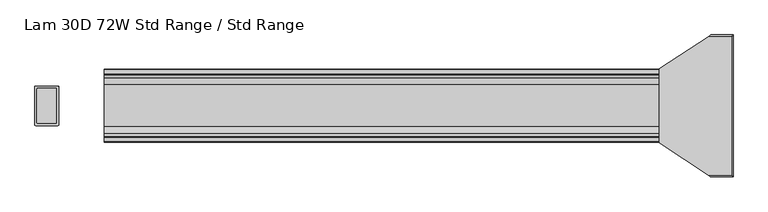
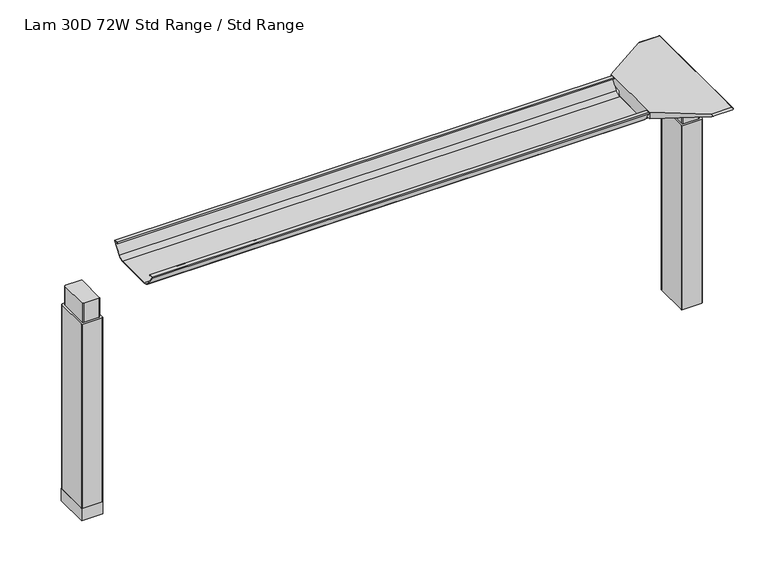
"""IFC4 building model written with IfcOpenShell, lengths in millimetres: furniture geometry, Lam 30D 72W Std Range / Std Range."""

from ifc_helpers import new_model, si_unit, point, frame, frame_2d, origin, place, context, project, spatial, polyline, circle_curve, ellipse_curve, trimmed, segment, composite_curve, outline, extrude, source, transform, mapped, element, save
from ifc_brep_helpers import plane_surface, cylinder_surface, revolved_surface, advanced_brep


def lam_30d_72w_std_range_std_range_678415d4(model_context):
    return source(origin(), model_context, "Body", "SolidModel", [
        advanced_brep(
        [(870.5122138, 162.7292702, 658.5915733), (1036.2406297, 162.7292702, 658.5915733), (1033.7518591, 160.5008169, 655.9442785), (884.8924181, 160.5008169, 655.9442785), (859.0501644, 162.8754397, 662.4310191), (858.9075093, 162.9531058, 664.4710821), (856.2619573, 163.0290018, 666.4646485), (856.2619573, 163.3822827, 675.7443054), (1038.8619089, 163.3822827, 675.7443054), (1036.4625278, 162.738256, 658.8276054), (856.2619573, 168.8493181, 681.7839076), (1039.7185362, 168.8493181, 681.7839076), (856.2619573, 202.6089953, 687.0209321), (978.0570453, 283.4205225, 699.5569507), (1042.2393767, 283.4205225, 699.5569507), (1042.3128152, 287.1965275, 700.0747243), (983.7480509, 287.1965275, 700.0747243), (1042.9871296, 288.7067839, 704.8289399), (982.1404665, 286.1298888, 707.009), (1041.2021288, 286.1298888, 707.009), (1042.3128152, -68.7565275, 700.0747243), (1042.9871296, -70.2667839, 704.8289399), (1041.2021288, -67.6898888, 707.009), (982.1404665, -67.6898888, 707.009), (983.7480509, -68.7565275, 700.0747243), (1042.2393767, -64.9805225, 699.5569507), (978.0570453, -64.9805225, 699.5569507), (856.2619573, 49.5906819, 681.7839076), (1039.7185362, 49.5906819, 681.7839076), (856.2619573, 15.8310047, 687.0209321), (856.2619573, 55.0577173, 675.7443054), (1038.8619089, 55.0577173, 675.7443054), (856.2619573, 55.4109982, 666.4646485), (858.9075093, 55.4868942, 664.4710821), (859.0501644, 55.5645603, 662.4310191), (870.5122138, 55.7107298, 658.5915733), (1036.2406297, 55.7107298, 658.5915733), (1036.4625278, 55.701744, 658.8276054), (884.8924181, 57.9391831, 655.9442785), (1033.7518591, 57.9391831, 655.9442785), (856.2619573, 202.6089953, 707.009), (856.2619573, 15.8310047, 707.009)],
        [
            (0, 1),
            (1, 2),
            (2, 3),
            (3, 0, ellipse_curve(frame((894.7936465, 239.7670009, 750.1086722), z_axis=(0.0, 0.7650318638532565, -0.6439924279750596), x_axis=(0.0, -0.6439924279750596, -0.7650318638532564)), 123.7641411, 94.6835116)),
            (0, 4, ellipse_curve(frame((894.7936465, 166.2133686, 750.1086722), z_axis=(0.0, 0.9992761066836392, -0.03804290487315862), x_axis=(0.0, -0.03804290487315623, -0.9992761066836393)), 94.752102, 94.6835116)),
            (4, 5),
            (5, 6),
            (6, 7),
            (7, 8),
            (8, 9),
            (9, 1),
            (7, 10, circle_curve(frame((856.2619573, 169.8408409, 675.3922075), z_axis=(-1.0, 0.0, 0.0), x_axis=(0.0, 1.0, 0.0)), 6.4681487)),
            (10, 11),
            (11, 8, ellipse_curve(frame((1038.8119691, 169.8408409, 675.3922075), z_axis=(0.9900906714849659, 0.0, -0.1404295632637567), x_axis=(-0.1404295632637562, 0.0, -0.9900906714849659)), 6.5328852, 6.4681487)),
            (10, 12),
            (12, 13),
            (13, 14),
            (14, 11),
            (15, 14),
            (13, 16),
            (16, 15),
            (17, 15, ellipse_curve(frame((1042.7730772, 285.2194111, 703.3197755), z_axis=(-0.9900906714849659, 0.0, 0.1404295632637567), x_axis=(0.1404295632637562, 0.0, 0.9900906714849659)), 3.8379455, 3.7999141)),
            (16, 18, ellipse_curve(frame((980.76824, 285.2194111, 703.3197755), z_axis=(0.552874393629518, -0.8332646067539369, 0.0), x_axis=(0.8332646067539365, 0.552874393629518, 0.0)), 6.8730151, 3.7999141)),
            (18, 19),
            (19, 17, ellipse_curve(frame((1044.222811, 285.2194111, 703.3197755), z_axis=(-0.7737284588399557, 0.0, -0.633517380962154), x_axis=(0.6335173809621538, 0.0, -0.7737284588399556)), 4.9111727, 3.7999141)),
            (20, 21, ellipse_curve(frame((1042.7730772, -66.7794111, 703.3197755), z_axis=(-0.9900906714849659, 0.0, 0.1404295632637567), x_axis=(0.1404295632637562, 0.0, 0.9900906714849659)), 3.8379455, 3.7999141)),
            (21, 22, ellipse_curve(frame((1044.222811, -66.7794111, 703.3197755), z_axis=(-0.7737284588399557, 0.0, -0.633517380962154), x_axis=(0.6335173809621538, 0.0, -0.7737284588399556)), 4.9111727, 3.7999141)),
            (22, 23),
            (23, 24, ellipse_curve(frame((980.76824, -66.7794111, 703.3197755), z_axis=(0.5528743936294976, 0.8332646067539503, 0.0), x_axis=(0.8332646067539502, -0.5528743936294978, 0.0)), 6.8730151, 3.7999141)),
            (24, 20),
            (25, 20),
            (24, 26),
            (26, 25),
            (27, 28),
            (28, 25),
            (26, 29),
            (29, 27),
            (27, 30, circle_curve(frame((856.2619573, 48.5991591, 675.3922075), z_axis=(-1.0, 0.0, 0.0), x_axis=(0.0, 1.0, 0.0)), 6.4681487)),
            (30, 31),
            (31, 28, ellipse_curve(frame((1038.8119691, 48.5991591, 675.3922075), z_axis=(0.9900906714849659, 0.0, -0.1404295632637567), x_axis=(-0.1404295632637562, 0.0, -0.9900906714849659)), 6.5328852, 6.4681487)),
            (30, 32),
            (32, 33),
            (33, 34),
            (34, 35, ellipse_curve(frame((894.7936465, 52.2266314, 750.1086722), z_axis=(0.0, -0.9992761066836363, -0.03804290487323539), x_axis=(0.0, -0.03804290487323121, 0.9992761066836364)), 94.752102, 94.6835116)),
            (35, 36),
            (36, 37),
            (37, 31),
            (35, 38, ellipse_curve(frame((894.7936465, -21.3270009, 750.1086722), z_axis=(0.0, -0.7650318638534733, -0.643992427974802), x_axis=(0.0, -0.643992427974802, 0.7650318638534732)), 123.7641411, 94.6835116)),
            (38, 39),
            (39, 36),
            (37, 9),
            (17, 21),
            (19, 22),
            (18, 40),
            (40, 41),
            (41, 23),
            (6, 32),
            (29, 41),
            (40, 12),
            (5, 33),
            (4, 34),
            (3, 38),
            (2, 39),
        ],
        [
            plane_surface(frame((856.2619573, 160.5008169, 655.9442785), z_axis=(0.0, 0.7650318638532565, -0.6439924279750596), x_axis=(1.0, 0.0, 0.0))),
            plane_surface(frame((856.2619573, 162.7292702, 658.5915733), z_axis=(0.0, 0.9992761066836392, -0.03804290487315862), x_axis=(1.0, 0.0, 0.0))),
            revolved_surface(polyline([(856.2619573, 176.3089896, 675.3922075), (1039.7293793154881, 176.3089896, 675.3922075)]), (856.2619573, 169.8408409, 675.3922075), (-1.0, 0.0, 0.0)),
            plane_surface(frame((856.2619573, 168.8493181, 681.7839076), z_axis=(0.0, 0.15329313587140309, -0.988180760030629), x_axis=(1.0, 0.0, 0.0))),
            plane_surface(frame((856.2619573, 283.4205225, 699.5569507), z_axis=(0.0, 0.1358508546900816, -0.9907292996979419), x_axis=(1.0, 0.0, 0.0))),
            cylinder_surface(frame((856.2619573, 285.2194111, 703.3197755), z_axis=(1.0, 0.0, 0.0), x_axis=(0.0, 1.0, 0.0)), 3.7999141),
            cylinder_surface(frame((856.2619573, -66.7794111, 703.3197755), z_axis=(1.0, 0.0, 0.0), x_axis=(0.0, 1.0, 0.0)), 3.7999141),
            plane_surface(frame((856.2619573, -68.7565275, 700.0747243), z_axis=(0.0, -0.1358508546877776, -0.9907292996982578), x_axis=(1.0, 0.0, 0.0))),
            plane_surface(frame((856.2619573, -64.9805225, 699.5569507), z_axis=(0.0, -0.15329313587141113, -0.9881807600306277), x_axis=(1.0, 0.0, 0.0))),
            revolved_surface(polyline([(856.2619573, 55.0673078, 675.3922075), (1039.7293793154881, 55.0673078, 675.3922075)]), (856.2619573, 48.5991591, 675.3922075), (-1.0, 0.0, 0.0)),
            plane_surface(frame((856.2619573, 55.0577173, 675.7443054), z_axis=(0.0, -0.9992761066836363, -0.03804290487323539), x_axis=(1.0, 0.0, 0.0))),
            plane_surface(frame((856.2619573, 55.7107298, 658.5915733), z_axis=(0.0, -0.7650318638534733, -0.643992427974802), x_axis=(1.0, 0.0, 0.0))),
            plane_surface(frame((1036.4625278, -81.28, 658.8276054), z_axis=(0.9900906714849659, 0.0, -0.1404295632637567), x_axis=(0.0, 1.0, 0.0))),
            plane_surface(frame((1042.9871296, -81.28, 704.8289399), z_axis=(0.7737284588399557, 0.0, 0.633517380962154), x_axis=(0.0, 1.0, 0.0))),
            plane_surface(frame((1041.2021288, -81.28, 707.009), z_axis=(0.0, 0.0, 1.0), x_axis=(0.0, 1.0, 0.0))),
            plane_surface(frame((856.2619573, -81.28, 707.009), z_axis=(-1.0, 0.0, 0.0), x_axis=(0.0, 1.0, 0.0))),
            plane_surface(frame((856.2619573, -81.28, 666.4646485), z_axis=(-0.6018150231540728, 0.0, -0.7986355100457674), x_axis=(0.0, 1.0, 0.0))),
            plane_surface(frame((858.9075093, -81.28, 664.4710821), z_axis=(-0.9975640502598287, 0.0, -0.06975647374406109), x_axis=(0.0, 1.0, 0.0))),
            cylinder_surface(frame((894.7936465, -81.28, 750.1086722), z_axis=(0.0, -1.0, 0.0), x_axis=(-1.0, 0.0, 0.0)), 94.6835116),
            plane_surface(frame((884.8924181, -81.28, 655.9442785), z_axis=(0.0, 0.0, -1.0), x_axis=(0.0, 1.0, 0.0))),
            plane_surface(frame((1033.7518591, -81.28, 655.9442785), z_axis=(0.7285846064222696, 0.0, -0.6849558170309284), x_axis=(0.0, 1.0, 0.0))),
            plane_surface(frame((856.2619573, 202.6089953, 707.009), z_axis=(-0.552874393629518, 0.8332646067539369, 0.0), x_axis=(0.0, 0.0, -1.0))),
            plane_surface(frame((1002.6228017, -81.28, 707.009), z_axis=(-0.5528743936294976, -0.8332646067539503, 0.0), x_axis=(0.0, 0.0, -1.0))),
        ],
        [
            (0, [[1, 2, 3, 4]]),
            (1, [[-1, 5, 6, 7, 8, 9, 10, 11]]),
            (2, [[-9, 12, 13, 14]]),
            (3, [[-13, 15, 16, 17, 18]]),
            (4, [[19, -17, 20, 21]]),
            (5, [[22, -21, 23, 24, 25]]),
            (6, [[26, 27, 28, 29, 30]]),
            (7, [[31, -30, 32, 33]]),
            (8, [[34, 35, -33, 36, 37]]),
            (9, [[-34, 38, 39, 40]]),
            (10, [[-39, 41, 42, 43, 44, 45, 46, 47]]),
            (11, [[-45, 48, 49, 50]]),
            (12, [[51, -10, -14, -18, -19, -22, 52, -26, -31, -35, -40, -47]]),
            (13, [[-52, -25, 53, -27]]),
            (14, [[-53, -24, 54, 55, 56, -28]]),
            (15, [[57, -41, -38, -37, 58, -55, 59, -15, -12, -8]]),
            (16, [[-57, -7, 60, -42]]),
            (17, [[-60, -6, 61, -43]]),
            (18, [[-61, -5, -4, 62, -48, -44]]),
            (19, [[-62, -3, 63, -49]]),
            (20, [[-51, -46, -50, -63, -2, -11]]),
            (21, [[-54, -23, -20, -16, -59]]),
            (22, [[-56, -58, -36, -32, -29]]),
        ],
    ),
        advanced_brep(
        [(-551.2773962, 187.9031697, 701.7794894), (-551.2773962, 189.6675242, 704.0075511), (-551.2773962, 200.6481225, 704.0075511), (-551.2773962, 201.3782919, 701.4093085), (-551.2773962, 179.9519108, 671.8462148), (-551.2773962, 162.5510914, 663.2452863), (-551.2773962, 55.7632156, 663.2452863), (-551.2773962, 38.1354217, 672.2997482), (-551.2773962, 16.8007138, 702.0706054), (-551.2773962, 18.4392766, 704.1266572), (-551.2773962, 28.6544098, 704.1266572), (-551.2773962, 30.5253848, 701.7794894), (-551.2773962, 29.7841637, 701.2423822), (-551.2773962, 28.2139363, 703.2122572), (-551.2773962, 18.5353238, 703.2122572), (-551.2773962, 17.7294351, 702.3444366), (-551.2773962, 38.8786744, 672.8323858), (-551.2773962, 55.7632156, 664.1598536), (-551.2773962, 162.5510914, 664.1596863), (-551.2773962, 179.21844, 672.3923713), (-551.2773962, 200.5721627, 701.8552144), (-551.2773962, 200.3148942, 703.0931511), (-551.2773962, 190.109809, 703.0931511), (-551.2773962, 188.6442719, 701.2424419), (856.2619573, 187.9031697, 701.7794894), (856.2619573, 188.6442719, 701.2424419), (856.2619573, 190.109809, 703.0931511), (856.2619573, 200.3148942, 703.0931511), (856.2619573, 200.5721627, 701.8552144), (856.2619573, 179.21844, 672.3923713), (856.2619573, 162.5510914, 664.1596863), (856.2619573, 55.7632155, 664.1596863), (856.2619573, 38.8786744, 672.8323858), (856.2619573, 17.7294351, 702.3444366), (856.2619573, 18.5353238, 703.2122572), (856.2619573, 28.2139363, 703.2122572), (856.2619573, 29.7841637, 701.2423822), (856.2619573, 30.5253848, 701.7794894), (856.2619573, 28.6544098, 704.1266572), (856.2619573, 18.4392766, 704.1266572), (856.2619573, 16.8007138, 702.0706054), (856.2619573, 38.1354217, 672.2997482), (856.2619573, 55.7632156, 663.2454536), (856.2619573, 162.5510914, 663.2452863), (856.2619573, 179.9519108, 671.8462148), (856.2619573, 201.3782919, 701.4093085), (856.2619573, 200.6481225, 704.0075511), (856.2619573, 189.6675242, 704.0075511)],
        [
            (0, 1),
            (1, 2),
            (2, 3, circle_curve(frame((-551.2773962, 199.4305576, 702.2636667), z_axis=(-1.0, 0.0, 0.0), x_axis=(0.0, 1.0, 0.0)), 2.1268749)),
            (3, 4),
            (4, 5, circle_curve(frame((-551.2773962, 162.5510914, 685.1478336), z_axis=(-1.0, 0.0, 0.0), x_axis=(0.0, 1.0, 0.0)), 21.9025472)),
            (5, 6),
            (6, 7, circle_curve(frame((-551.2773962, 55.7632156, 684.932365), z_axis=(-1.0, 0.0, 0.0), x_axis=(0.0, 1.0, 0.0)), 21.6869114)),
            (7, 8),
            (8, 9, circle_curve(frame((-551.2773962, 18.8010635, 702.1573833), z_axis=(-1.0, 0.0, 0.0), x_axis=(0.0, 1.0, 0.0)), 2.0022311)),
            (9, 10),
            (10, 11),
            (11, 12),
            (12, 13),
            (13, 14),
            (14, 15, circle_curve(frame((-551.2773962, 18.8010635, 702.1573833), z_axis=(1.0, 0.0, 0.0), x_axis=(0.0, 1.0, 0.0)), 1.0878311)),
            (15, 16),
            (16, 17, circle_curve(frame((-551.2773962, 55.7632156, 684.932365), z_axis=(1.0, 0.0, 0.0), x_axis=(0.0, 1.0, 0.0)), 20.7725114)),
            (17, 18),
            (18, 19, circle_curve(frame((-551.2773962, 162.5510914, 685.1478336), z_axis=(1.0, 0.0, 0.0), x_axis=(0.0, 1.0, 0.0)), 20.9881473)),
            (19, 20),
            (20, 21, circle_curve(frame((-551.2773962, 199.4305576, 702.2636667), z_axis=(1.0, 0.0, 0.0), x_axis=(0.0, 1.0, 0.0)), 1.2124749)),
            (21, 22),
            (22, 23),
            (23, 0),
            (24, 25),
            (25, 26),
            (26, 27),
            (27, 28, circle_curve(frame((856.2619573, 199.4305576, 702.2636667), z_axis=(-1.0, 0.0, 0.0), x_axis=(0.0, 1.0, 0.0)), 1.2124749)),
            (28, 29),
            (29, 30, circle_curve(frame((856.2619573, 162.5510914, 685.1478336), z_axis=(-1.0, 0.0, 0.0), x_axis=(0.0, 1.0, 0.0)), 20.9881473)),
            (30, 31),
            (31, 32, circle_curve(frame((856.2619573, 55.7632156, 684.932365), z_axis=(-1.0, 0.0, 0.0), x_axis=(0.0, 1.0, 0.0)), 20.7725114)),
            (32, 33),
            (33, 34, circle_curve(frame((856.2619573, 18.8010635, 702.1573833), z_axis=(-1.0, 0.0, 0.0), x_axis=(0.0, 1.0, 0.0)), 1.0878311)),
            (34, 35),
            (35, 36),
            (36, 37),
            (37, 38),
            (38, 39),
            (39, 40, circle_curve(frame((856.2619573, 18.8010635, 702.1573833), z_axis=(1.0, 0.0, 0.0), x_axis=(0.0, 1.0, 0.0)), 2.0022311)),
            (40, 41),
            (41, 42, circle_curve(frame((856.2619573, 55.7632156, 684.932365), z_axis=(1.0, 0.0, 0.0), x_axis=(0.0, 1.0, 0.0)), 21.6869114)),
            (42, 43),
            (43, 44, circle_curve(frame((856.2619573, 162.5510914, 685.1478336), z_axis=(1.0, 0.0, 0.0), x_axis=(0.0, 1.0, 0.0)), 21.9025472)),
            (44, 45),
            (45, 46, circle_curve(frame((856.2619573, 199.4305576, 702.2636667), z_axis=(1.0, 0.0, 0.0), x_axis=(0.0, 1.0, 0.0)), 2.1268749)),
            (46, 47),
            (47, 24),
            (0, 24),
            (47, 1),
            (46, 2),
            (45, 3),
            (44, 4),
            (43, 5),
            (42, 6),
            (41, 7),
            (40, 8),
            (39, 9),
            (38, 10),
            (37, 11),
            (36, 12),
            (35, 13),
            (34, 14),
            (33, 15),
            (32, 16),
            (31, 17),
            (30, 18),
            (29, 19),
            (28, 20),
            (27, 21),
            (26, 22),
            (25, 23),
        ],
        [
            plane_surface(frame((-551.2773962, 109.22, 707.009), z_axis=(-1.0, 0.0, 0.0), x_axis=(0.0, 0.0, 1.0))),
            plane_surface(frame((856.2619573, 109.22, 707.009), z_axis=(1.0, 0.0, 0.0), x_axis=(0.0, 0.0, 1.0))),
            plane_surface(frame((-551.2773962, 187.9031697, 701.7794894), z_axis=(0.0, -0.7839649337165058, 0.6208051084703434), x_axis=(1.0, 0.0, 0.0))),
            plane_surface(frame((-551.2773962, 189.6675242, 704.0075511), z_axis=(0.0, 0.0, 1.0), x_axis=(1.0, 0.0, 0.0))),
            cylinder_surface(frame((-551.2773962, 199.4305576, 702.2636667), z_axis=(-1.0, 0.0, 0.0), x_axis=(0.0, 1.0, 0.0)), 2.1268749),
            plane_surface(frame((-551.2773962, 201.3782919, 701.4093085), z_axis=(0.0, 0.8096997445281038, -0.586844377762217), x_axis=(1.0, 0.0, 0.0))),
            cylinder_surface(frame((-551.2773962, 162.5510914, 685.1478336), z_axis=(-1.0, 0.0, 0.0), x_axis=(0.0, 1.0, 0.0)), 21.9025472),
            plane_surface(frame((-551.2773962, 162.5510914, 663.2452863), z_axis=(0.0, 0.0, -1.0), x_axis=(1.0, 0.0, 0.0))),
            cylinder_surface(frame((-551.2773962, 55.7632156, 684.932365), z_axis=(-1.0, 0.0, 0.0), x_axis=(0.0, 1.0, 0.0)), 21.6869114),
            plane_surface(frame((-551.2773962, 38.1354217, 672.2997482), z_axis=(0.0, -0.8128309997561537, -0.5824995844079305), x_axis=(1.0, 0.0, 0.0))),
            cylinder_surface(frame((-551.2773962, 18.8010635, 702.1573833), z_axis=(-1.0, 0.0, 0.0), x_axis=(0.0, 1.0, 0.0)), 2.0022311),
            plane_surface(frame((-551.2773962, 18.4392766, 704.1266572), z_axis=(0.0, 0.0, 1.0), x_axis=(1.0, 0.0, 0.0))),
            plane_surface(frame((-551.2773962, 28.6544098, 704.1266572), z_axis=(0.0, 0.7819660587237972, 0.6233210112004657), x_axis=(1.0, 0.0, 0.0))),
            plane_surface(frame((-551.2773962, 30.5253848, 701.7794894), z_axis=(0.0, 0.5867684336468096, -0.8097547809526473), x_axis=(1.0, 0.0, 0.0))),
            plane_surface(frame((-551.2773962, 29.7841637, 701.2423822), z_axis=(0.0, -0.7819660587239206, -0.6233210112003109), x_axis=(1.0, 0.0, 0.0))),
            plane_surface(frame((-551.2773962, 28.2139363, 703.2122572), z_axis=(0.0, 0.0, -1.0), x_axis=(1.0, 0.0, 0.0))),
            revolved_surface(polyline([(856.2619572999998, 19.8888946, 702.1573833), (-551.2773962, 19.8888946, 702.1573833)]), (-551.2773962, 18.8010635, 702.1573833), (1.0, 0.0, 0.0)),
            plane_surface(frame((-551.2773962, 17.7294351, 702.3444366), z_axis=(0.0, 0.8128309996716102, 0.582499584525904), x_axis=(1.0, 0.0, 0.0))),
            revolved_surface(polyline([(856.2619572999998, 76.53572700000001, 684.932365), (-551.2773962, 76.53572700000001, 684.932365)]), (-551.2773962, 55.7632156, 684.932365), (1.0, 0.0, 0.0)),
            plane_surface(frame((-551.2773962, 55.7632155, 664.1596863), z_axis=(0.0, 0.0, 1.0), x_axis=(1.0, 0.0, 0.0))),
            revolved_surface(polyline([(856.2619572999998, 183.5392387, 685.1478336), (-551.2773962, 183.5392387, 685.1478336)]), (-551.2773962, 162.5510914, 685.1478336), (1.0, 0.0, 0.0)),
            plane_surface(frame((-551.2773962, 179.21844, 672.3923713), z_axis=(0.0, -0.8096997449536107, 0.5868443771751228), x_axis=(1.0, 0.0, 0.0))),
            revolved_surface(polyline([(856.2619572999998, 200.64303249999998, 702.2636667), (-551.2773962, 200.64303249999998, 702.2636667)]), (-551.2773962, 199.4305576, 702.2636667), (1.0, 0.0, 0.0)),
            plane_surface(frame((-551.2773962, 200.3148942, 703.0931511), z_axis=(0.0, 0.0, -1.0), x_axis=(1.0, 0.0, 0.0))),
            plane_surface(frame((-551.2773962, 190.109809, 703.0931511), z_axis=(0.0, 0.7839649337164979, -0.6208051084703533), x_axis=(1.0, 0.0, 0.0))),
            plane_surface(frame((-551.2773962, 188.6442719, 701.2424419), z_axis=(0.0, -0.5867873637752554, -0.8097410633737715), x_axis=(1.0, 0.0, 0.0))),
        ],
        [
            (0, [[1, 2, 3, 4, 5, 6, 7, 8, 9, 10, 11, 12, 13, 14, 15, 16, 17, 18, 19, 20, 21, 22, 23, 24]]),
            (1, [[25, 26, 27, 28, 29, 30, 31, 32, 33, 34, 35, 36, 37, 38, 39, 40, 41, 42, 43, 44, 45, 46, 47, 48]]),
            (2, [[-1, 49, -48, 50]]),
            (3, [[-2, -50, -47, 51]]),
            (4, [[-3, -51, -46, 52]]),
            (5, [[-4, -52, -45, 53]]),
            (6, [[-5, -53, -44, 54]]),
            (7, [[-6, -54, -43, 55]]),
            (8, [[-7, -55, -42, 56]]),
            (9, [[-8, -56, -41, 57]]),
            (10, [[-9, -57, -40, 58]]),
            (11, [[-10, -58, -39, 59]]),
            (12, [[-11, -59, -38, 60]]),
            (13, [[-12, -60, -37, 61]]),
            (14, [[-13, -61, -36, 62]]),
            (15, [[-14, -62, -35, 63]]),
            (16, [[-15, -63, -34, 64]]),
            (17, [[-16, -64, -33, 65]]),
            (18, [[-17, -65, -32, 66]]),
            (19, [[-18, -66, -31, 67]]),
            (20, [[-19, -67, -30, 68]]),
            (21, [[-20, -68, -29, 69]]),
            (22, [[-21, -69, -28, 70]]),
            (23, [[-22, -70, -27, 71]]),
            (24, [[-23, -71, -26, 72]]),
            (25, [[-24, -72, -25, -49]]),
        ],
    ),
        advanced_brep(
        [(979.8283088, 153.9682497, 655.9442785), (977.0624028, 151.6150111, 655.9442785), (977.0624028, 66.8413858, 655.9442785), (980.1159671, 64.491987, 655.9442785), (1023.4299922, 64.4717503, 655.9442785), (1026.4895972, 66.8414936, 655.9442785), (1026.4895972, 151.6150956, 655.9442785), (1023.7236912, 153.9682497, 655.9442785), (979.8283088, 153.9682497, 599.0990058), (1023.7236912, 153.9682497, 599.0990058), (1026.4895972, 151.6150956, 599.0990058), (1026.4895972, 66.8414936, 599.0990058), (1023.4360098, 64.4919923, 599.0990058), (980.1220078, 64.4717503, 599.0990058), (977.0624028, 66.8413858, 599.0990058), (977.0624028, 151.6150111, 599.0990058)],
        [
            (0, 1, circle_curve(frame((980.1300788, 150.8114719, 655.9442785), z_axis=(0.0, 0.0, 1.0), x_axis=(1.0, 0.0, 0.0)), 3.1711688)),
            (1, 2),
            (2, 3, circle_curve(frame((980.1159671, 67.651078, 655.9442785), z_axis=(0.0, 0.0, 1.0), x_axis=(1.0, 0.0, 0.0)), 3.1590911)),
            (3, 4),
            (4, 5, circle_curve(frame((1023.4360098, 67.651078, 655.9442785), z_axis=(0.0, 0.0, 1.0), x_axis=(1.0, 0.0, 0.0)), 3.1590858)),
            (5, 6),
            (6, 7, circle_curve(frame((1023.4219439, 150.8114698, 655.9442785), z_axis=(0.0, 0.0, 1.0), x_axis=(1.0, 0.0, 0.0)), 3.1711687)),
            (7, 0),
            (8, 9),
            (9, 10, circle_curve(frame((1023.4219439, 150.8114698, 599.0990058), z_axis=(0.0, 0.0, -1.0), x_axis=(1.0, 0.0, 0.0)), 3.1711687)),
            (10, 11),
            (11, 12, circle_curve(frame((1023.4360098, 67.651078, 599.0990058), z_axis=(0.0, 0.0, -1.0), x_axis=(1.0, 0.0, 0.0)), 3.1590858)),
            (12, 13),
            (13, 14, circle_curve(frame((980.1159671, 67.651078, 599.0990058), z_axis=(0.0, 0.0, -1.0), x_axis=(1.0, 0.0, 0.0)), 3.1590911)),
            (14, 15),
            (15, 8, circle_curve(frame((980.1300788, 150.8114719, 599.0990058), z_axis=(0.0, 0.0, -1.0), x_axis=(1.0, 0.0, 0.0)), 3.1711688)),
            (7, 9),
            (8, 0),
            (6, 10),
            (5, 11),
            (4, 12),
            (3, 13),
            (2, 14),
            (1, 15),
        ],
        [
            plane_surface(frame((983.3012476, 150.8114719, 655.9442785), z_axis=(0.0, 0.0, 1.0), x_axis=(0.0, 1.0, 0.0))),
            plane_surface(frame((983.3012476, 150.8114719, 599.0990058), z_axis=(0.0, 0.0, -1.0), x_axis=(0.0, -1.0, 0.0))),
            plane_surface(frame((1023.7236912, 153.9682497, 655.9442785), z_axis=(0.0, 1.0, 0.0), x_axis=(0.0, 0.0, -1.0))),
            cylinder_surface(frame((1023.4219439, 150.8114698, 599.0990058), z_axis=(0.0, 0.0, 1.0), x_axis=(1.0, 0.0, 0.0)), 3.1711687),
            plane_surface(frame((1026.4895972, 66.8414936, 655.9442785), z_axis=(1.0, 0.0, 0.0), x_axis=(0.0, 0.0, -1.0))),
            cylinder_surface(frame((1023.4360098, 67.651078, 599.0990058), z_axis=(0.0, 0.0, 1.0), x_axis=(1.0, 0.0, 0.0)), 3.1590858),
            plane_surface(frame((980.1220078, 64.4717503, 655.9442785), z_axis=(0.0, -1.0, 0.0), x_axis=(0.0, 0.0, -1.0))),
            cylinder_surface(frame((980.1159671, 67.651078, 599.0990058), z_axis=(0.0, 0.0, 1.0), x_axis=(1.0, 0.0, 0.0)), 3.1590911),
            plane_surface(frame((977.0624028, 151.6150111, 655.9442785), z_axis=(-1.0, 0.0, 0.0), x_axis=(0.0, 0.0, -1.0))),
            cylinder_surface(frame((980.1300788, 150.8114719, 599.0990058), z_axis=(0.0, 0.0, 1.0), x_axis=(1.0, 0.0, 0.0)), 3.1711688),
        ],
        [
            (0, [[1, 2, 3, 4, 5, 6, 7, 8]]),
            (1, [[9, 10, 11, 12, 13, 14, 15, 16]]),
            (2, [[-8, 17, -9, 18]]),
            (3, [[-7, 19, -10, -17]]),
            (4, [[-6, 20, -11, -19]]),
            (5, [[-5, 21, -12, -20]]),
            (6, [[-4, 22, -13, -21]]),
            (7, [[-3, 23, -14, -22]]),
            (8, [[-2, 24, -15, -23]]),
            (9, [[-1, -18, -16, -24]]),
        ],
    ),
        advanced_brep(
        [(-675.0283088, 153.9682497, 655.9442785), (-718.9236912, 153.9682497, 655.9442785), (-721.6806448, 151.6485241, 655.9442785), (-721.6806448, 66.8084508, 655.9442785), (-718.6360098, 64.4919923, 655.9442785), (-675.3220078, 64.4717503, 655.9442785), (-672.2713552, 66.8083475, 655.9442785), (-672.2713552, 151.6484433, 655.9442785), (-675.0283088, 153.9682497, 599.0990058), (-672.2713552, 151.6484433, 599.0990058), (-672.2713552, 66.8083475, 599.0990058), (-675.3159671, 64.491987, 599.0990058), (-718.6299922, 64.4717503, 599.0990058), (-721.6806448, 66.8084508, 599.0990058), (-721.6806448, 151.6485241, 599.0990058), (-718.9236912, 153.9682497, 599.0990058)],
        [
            (0, 1),
            (1, 2, circle_curve(frame((-718.6219439, 150.8114698, 655.9442785), z_axis=(0.0, 0.0, 1.0), x_axis=(-1.0, 0.0, 0.0)), 3.1711687)),
            (2, 3),
            (3, 4, circle_curve(frame((-718.6360098, 67.651078, 655.9442785), z_axis=(0.0, 0.0, 1.0), x_axis=(-1.0, 0.0, 0.0)), 3.1590858)),
            (4, 5),
            (5, 6, circle_curve(frame((-675.3159671, 67.6510781, 655.9442785), z_axis=(0.0, 0.0, 1.0), x_axis=(-1.0, 0.0, 0.0)), 3.1590911)),
            (6, 7),
            (7, 0, circle_curve(frame((-675.3300788, 150.8114719, 655.9442785), z_axis=(0.0, 0.0, 1.0), x_axis=(-1.0, 0.0, 0.0)), 3.1711688)),
            (8, 9, circle_curve(frame((-675.3300788, 150.8114719, 599.0990058), z_axis=(0.0, 0.0, -1.0), x_axis=(-1.0, 0.0, 0.0)), 3.1711688)),
            (9, 10),
            (10, 11, circle_curve(frame((-675.3159671, 67.6510781, 599.0990058), z_axis=(0.0, 0.0, -1.0), x_axis=(-1.0, 0.0, 0.0)), 3.1590911)),
            (11, 12),
            (12, 13, circle_curve(frame((-718.6360098, 67.651078, 599.0990058), z_axis=(0.0, 0.0, -1.0), x_axis=(-1.0, 0.0, 0.0)), 3.1590858)),
            (13, 14),
            (14, 15, circle_curve(frame((-718.6219439, 150.8114698, 599.0990058), z_axis=(0.0, 0.0, -1.0), x_axis=(-1.0, 0.0, 0.0)), 3.1711687)),
            (15, 8),
            (0, 8),
            (15, 1),
            (14, 2),
            (13, 3),
            (12, 4),
            (11, 5),
            (10, 6),
            (9, 7),
        ],
        [
            plane_surface(frame((-718.9236912, 153.9682497, 655.9442785), z_axis=(0.0, 0.0, 1.0), x_axis=(-1.0, 0.0, 0.0))),
            plane_surface(frame((-718.9236912, 153.9682497, 599.0990058), z_axis=(0.0, 0.0, -1.0), x_axis=(1.0, 0.0, 0.0))),
            plane_surface(frame((-675.0283088, 153.9682497, 655.9442785), z_axis=(0.0, 1.0, 0.0), x_axis=(0.0, 0.0, -1.0))),
            cylinder_surface(frame((-718.6219439, 150.8114698, 599.0990058), z_axis=(0.0, 0.0, 1.0), x_axis=(-1.0, 0.0, 0.0)), 3.1711687),
            plane_surface(frame((-721.6806448, 151.6485241, 655.9442785), z_axis=(-1.0, 0.0, 0.0), x_axis=(0.0, 0.0, -1.0))),
            cylinder_surface(frame((-718.6360098, 67.651078, 599.0990058), z_axis=(0.0, 0.0, 1.0), x_axis=(-1.0, 0.0, 0.0)), 3.1590858),
            plane_surface(frame((-718.6299922, 64.4717503, 655.9442785), z_axis=(0.0, -1.0, 0.0), x_axis=(0.0, 0.0, -1.0))),
            cylinder_surface(frame((-675.3159671, 67.6510781, 599.0990058), z_axis=(0.0, 0.0, 1.0), x_axis=(-1.0, 0.0, 0.0)), 3.1590911),
            plane_surface(frame((-672.2713552, 66.8083475, 655.9442785), z_axis=(1.0, 0.0, 0.0), x_axis=(0.0, 0.0, -1.0))),
            cylinder_surface(frame((-675.3300788, 150.8114719, 599.0990058), z_axis=(0.0, 0.0, 1.0), x_axis=(-1.0, 0.0, 0.0)), 3.1711688),
        ],
        [
            (0, [[1, 2, 3, 4, 5, 6, 7, 8]]),
            (1, [[9, 10, 11, 12, 13, 14, 15, 16]]),
            (2, [[-1, 17, -16, 18]]),
            (3, [[-2, -18, -15, 19]]),
            (4, [[-3, -19, -14, 20]]),
            (5, [[-4, -20, -13, 21]]),
            (6, [[-5, -21, -12, 22]]),
            (7, [[-6, -22, -11, 23]]),
            (8, [[-7, -23, -10, 24]]),
            (9, [[-8, -24, -9, -17]]),
        ],
    ),
        extrude(outline(composite_curve([segment(trimmed(circle_curve(frame_2d((-669.316092, 156.945908)), 2.248592), [point((-669.316092, 159.1945))], [point((-667.0675, 156.945908))], False, "CARTESIAN"), True, "CONTINUOUS"), segment(polyline([(-667.0675, 156.945908), (-667.0675, 61.4941469)]), True, "CONTINUOUS"), segment(trimmed(circle_curve(frame_2d((-669.3161469, 61.4941469)), 2.2486469), [point((-667.0675, 61.4941469))], [point((-669.3161469, 59.2455))], False, "CARTESIAN"), True, "CONTINUOUS"), segment(polyline([(-669.3161469, 59.2455), (-724.635908, 59.2455)]), True, "CONTINUOUS"), segment(trimmed(circle_curve(frame_2d((-724.635908, 61.494092)), 2.248592), [point((-724.635908, 59.2455))], [point((-726.8845, 61.494092))], False, "CARTESIAN"), True, "CONTINUOUS"), segment(polyline([(-726.8845, 61.494092), (-726.8845, 156.945908)]), True, "CONTINUOUS"), segment(trimmed(circle_curve(frame_2d((-724.635908, 156.945908)), 2.248592), [point((-726.8845, 156.945908))], [point((-724.635908, 159.1945))], False, "CARTESIAN"), True, "CONTINUOUS"), segment(polyline([(-724.635908, 159.1945), (-669.316092, 159.1945)]), True, "CONTINUOUS")], self_intersect=False)), frame((0.0, 0.0, 48.1000573), z_axis=(0.0, 0.0, 1.0), x_axis=(1.0, 0.0, 0.0)), (0.0, 0.0, 1.0), 550.9989485),
        advanced_brep(
        [(-696.976, 127.2221653, 10.2361894), (-696.976, 141.2419153, 10.2361894), (-696.976, 140.8547401, 8.7946116), (-696.976, 127.6093405, 8.7946116), (-696.976, 134.2320403, 10.2361894), (-696.976, 113.2751519, 0.0), (-696.976, 155.1889286, 0.0), (-696.976, 134.2320403, 0.0), (-696.976, 111.7314216, 1.5436985), (-696.976, 156.732659, 1.5436985), (-696.976, 111.7314763, 4.1072626), (-696.976, 156.7326043, 4.1072626), (-696.976, 113.2713167, 5.9174378), (-696.976, 155.1927639, 5.9174378)],
        [
            (0, 1, circle_curve(frame((-696.976, 134.2320403, 10.2361894), z_axis=(0.0, 0.0, -1.0), x_axis=(0.0, 1.0, 0.0)), 7.009875)),
            (1, 2),
            (2, 3, circle_curve(frame((-696.976, 134.2320403, 8.7946116), z_axis=(0.0, 0.0, 1.0), x_axis=(0.0, 1.0, 0.0)), 6.6226998)),
            (3, 0),
            (1, 0, circle_curve(frame((-696.976, 134.2320403, 10.2361894), z_axis=(0.0, 0.0, -1.0), x_axis=(0.0, 1.0, 0.0)), 7.009875)),
            (3, 2, circle_curve(frame((-696.976, 134.2320403, 8.7946116), z_axis=(0.0, 0.0, 1.0), x_axis=(0.0, 1.0, 0.0)), 6.6226998)),
            (4, 1),
            (0, 4),
            (5, 6, circle_curve(frame((-696.976, 134.2320403, 0.0), z_axis=(0.0, 0.0, -1.0), x_axis=(0.0, 1.0, 0.0)), 20.9568884)),
            (6, 7),
            (7, 5),
            (6, 5, circle_curve(frame((-696.976, 134.2320403, 0.0), z_axis=(0.0, 0.0, -1.0), x_axis=(0.0, 1.0, 0.0)), 20.9568884)),
            (8, 9, circle_curve(frame((-696.976, 134.2320403, 1.5436985), z_axis=(0.0, 0.0, -1.0), x_axis=(0.0, 1.0, 0.0)), 22.5006187)),
            (9, 6),
            (5, 8),
            (9, 8, circle_curve(frame((-696.976, 134.2320403, 1.5436985), z_axis=(0.0, 0.0, -1.0), x_axis=(0.0, 1.0, 0.0)), 22.5006187)),
            (10, 11, circle_curve(frame((-696.976, 134.2320403, 4.1072626), z_axis=(0.0, 0.0, -1.0), x_axis=(0.0, 1.0, 0.0)), 22.500564)),
            (11, 9),
            (8, 10),
            (11, 10, circle_curve(frame((-696.976, 134.2320403, 4.1072626), z_axis=(0.0, 0.0, -1.0), x_axis=(0.0, 1.0, 0.0)), 22.500564)),
            (12, 13, circle_curve(frame((-696.976, 134.2320403, 5.9174378), z_axis=(0.0, 0.0, -1.0), x_axis=(0.0, 1.0, 0.0)), 20.9607236)),
            (13, 11),
            (10, 12),
            (13, 12, circle_curve(frame((-696.976, 134.2320403, 5.9174378), z_axis=(0.0, 0.0, -1.0), x_axis=(0.0, 1.0, 0.0)), 20.9607236)),
            (2, 13),
            (12, 3),
        ],
        [
            revolved_surface(polyline([(-696.976, 140.8547401, 8.7946116), (-696.976, 141.2419153, 10.2361894)]), (-696.976, 134.2320403, 0.0), (0.0, 0.0, 1.0)),
            plane_surface(frame((-696.976, 134.2320403, 10.2361894), z_axis=(0.0, 0.0, 1.0), x_axis=(0.0, 1.0, 0.0))),
            plane_surface(frame((-696.976, 134.2320403, 0.0), z_axis=(0.0, 0.0, -1.0), x_axis=(0.0, 1.0, 0.0))),
            revolved_surface(polyline([(-696.976, 155.1889286, 0.0), (-696.976, 156.732659, 1.5436985)]), (-696.976, 134.2320403, 0.0), (0.0, 0.0, 1.0)),
            cylinder_surface(frame((-696.976, 134.2320403, 0.0), z_axis=(0.0, 0.0, 1.0), x_axis=(0.0, 1.0, 0.0)), 22.500564),
            revolved_surface(polyline([(-696.976, 156.7327498, 4.1072626), (-696.976, 155.1927639, 5.9174378)]), (-696.976, 134.2320403, 0.0), (0.0, 0.0, 1.0)),
            revolved_surface(polyline([(-696.976, 155.1927639, 5.9174378), (-696.976, 140.8547401, 8.7946116)]), (-696.976, 134.2320403, 0.0), (0.0, 0.0, 1.0)),
        ],
        [
            (0, [[1, 2, 3, 4]]),
            (0, [[5, -4, 6, -2]]),
            (1, [[7, -1, 8]]),
            (1, [[-8, -5, -7]]),
            (2, [[9, 10, 11]]),
            (2, [[12, -11, -10]]),
            (3, [[13, 14, -9, 15]]),
            (3, [[16, -15, -12, -14]]),
            (4, [[17, 18, -13, 19]]),
            (4, [[20, -19, -16, -18]]),
            (5, [[21, 22, -17, 23]]),
            (5, [[24, -23, -20, -22]]),
            (6, [[-3, 25, -21, 26]]),
            (6, [[-6, -26, -24, -25]]),
        ],
    ),
        extrude(outline(polyline([(-667.0675, 158.9882127), (-667.0675, 59.6052169), (-726.8845, 59.6052169), (-726.8845, 158.9882127), (-667.0675, 158.9882127)])), frame((0.0, 0.0, 10.2361894), z_axis=(0.0, 0.0, 1.0), x_axis=(1.0, 0.0, 0.0)), (0.0, 0.0, 1.0), 37.8638679),
        extrude(outline(composite_curve([segment(trimmed(circle_curve(frame_2d((1029.3521079, 156.8621079)), 2.3323921), [point((1029.3521079, 159.1945))], [point((1031.6845, 156.8621079))], False, "CARTESIAN"), True, "CONTINUOUS"), segment(polyline([(1031.6845, 156.8621079), (1031.6845, 61.5778921)]), True, "CONTINUOUS"), segment(trimmed(circle_curve(frame_2d((1029.3521079, 61.5778921)), 2.3323921), [point((1031.6845, 61.5778921))], [point((1029.3521079, 59.2455))], False, "CARTESIAN"), True, "CONTINUOUS"), segment(polyline([(1029.3521079, 59.2455), (974.1998921, 59.2455)]), True, "CONTINUOUS"), segment(trimmed(circle_curve(frame_2d((974.1998921, 61.5778921)), 2.3323921), [point((974.1998921, 59.2455))], [point((971.8675, 61.5778921))], False, "CARTESIAN"), True, "CONTINUOUS"), segment(polyline([(971.8675, 61.5778921), (971.8675, 156.8621079)]), True, "CONTINUOUS"), segment(trimmed(circle_curve(frame_2d((974.1998921, 156.8621079)), 2.3323921), [point((971.8675, 156.8621079))], [point((974.1998921, 159.1945))], False, "CARTESIAN"), True, "CONTINUOUS"), segment(polyline([(974.1998921, 159.1945), (1029.3521079, 159.1945)]), True, "CONTINUOUS")], self_intersect=False)), frame((0.0, 0.0, 48.1000573), z_axis=(0.0, 0.0, 1.0), x_axis=(1.0, 0.0, 0.0)), (0.0, 0.0, 1.0), 550.9989485),
    ])


if __name__ == "__main__":
    model = new_model("IFC4")
    model_context = context("Model", 3, world=origin())
    ifc_project = project(units=[si_unit("LENGTHUNIT", "METRE", prefix="MILLI")], contexts=[model_context])
    site = spatial("IfcSite", under=ifc_project)
    building = spatial("IfcBuilding", under=site)
    placement = place(None, origin())
    lam_30d_72w_std_range_std_range_shape = lam_30d_72w_std_range_std_range_678415d4(model_context)
    element("IfcFurniture", 1, ObjectType="Lam 30D 72W Std Range / Std Range", at=placement, inside=building, context=model_context, shape_type="MappedRepresentation", body=[
        mapped(lam_30d_72w_std_range_std_range_shape, transform((0.0, 0.0, 0.0), x_axis=(1.0, 0.0, 0.0), y_axis=(0.0, 1.0, 0.0), z_axis=(0.0, 0.0, 1.0))),
    ])
    save(model, "model.ifc")
